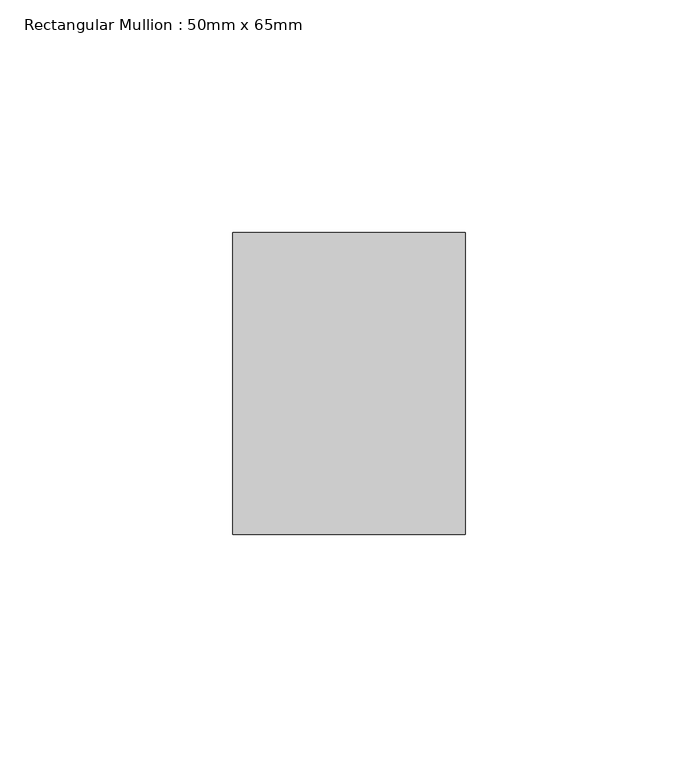
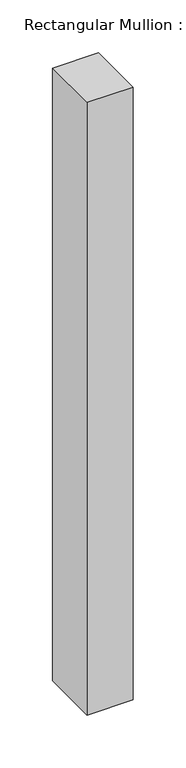
"""IFC4 building model written with IfcOpenShell, lengths in millimetres: member geometry, Rectangular Mullion : 50mm x 65mm."""

from ifc_helpers import new_model, si_unit, frame, origin, place, context, project, spatial, polyline, outline, extrude, source, transform, mapped, element, save


def rectangular_mullion_50mm_x_65mm_f7ccf65e(model_context):
    return source(origin(), model_context, "Body", "SweptSolid", [
        extrude(outline(polyline([(25.0, 32.5), (25.0, -32.5), (-25.0, -32.5), (-25.0, 32.5), (25.0, 32.5)])), frame((0.0, 0.0, -705.7729024), z_axis=(0.0, 0.0, 1.0), x_axis=(1.0, 0.0, 0.0)), (0.0, 0.0, 1.0), 705.7729024),
    ])


if __name__ == "__main__":
    model = new_model("IFC4")
    model_context = context("Model", 3, world=origin())
    ifc_project = project(units=[si_unit("LENGTHUNIT", "METRE", prefix="MILLI")], contexts=[model_context])
    site = spatial("IfcSite", under=ifc_project)
    building = spatial("IfcBuilding", under=site)
    placement = place(None, origin())
    rectangular_mullion_50mm_x_65mm_shape = rectangular_mullion_50mm_x_65mm_f7ccf65e(model_context)
    element("IfcMember", 1, ObjectType="Rectangular Mullion : 50mm x 65mm", at=placement, inside=building, context=model_context, shape_type="MappedRepresentation", body=[
        mapped(rectangular_mullion_50mm_x_65mm_shape, transform((0.0, 0.0, 0.0), x_axis=(1.0, 0.0, 0.0), y_axis=(0.0, 1.0, 0.0), z_axis=(0.0, 0.0, 1.0))),
    ])
    save(model, "model.ifc")
